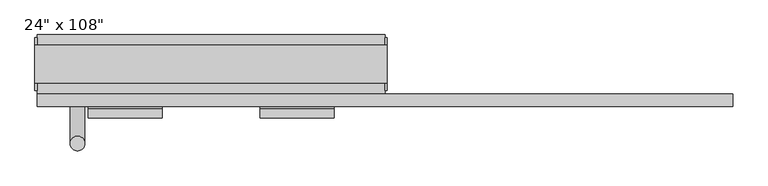
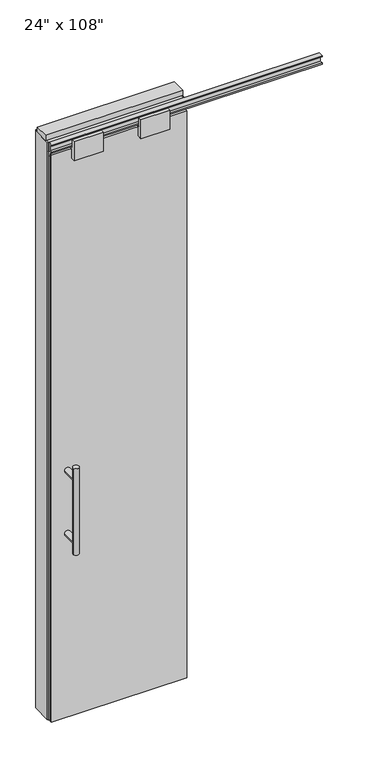
"""IFC4 building model written with IfcOpenShell, lengths in millimetres: furniture geometry."""

from ifc_helpers import new_model, si_unit, frame, origin, origin_with_axes, place, context, project, spatial, polyline, circle_curve, ellipse_curve, outline, extrude, source, transform, mapped, element, save
from ifc_brep_helpers import plane_surface, cylinder_surface, advanced_brep


def furniture_3b642320(model_context):
    return source(origin(), model_context, "Body", "SolidModel", [
        extrude(outline(polyline([(240.8264771, -74.3677216), (-360.8995229, -74.3677216), (-360.8995229, -64.2077216), (240.8264771, -64.2077216), (240.8264771, -74.3677216)])), origin_with_axes(), (0.0, 0.0, 1.0), 2670.81),
        advanced_brep(
        [(-303.6225229, 3.3562784, 1219.2), (-278.2225229, 3.3562784, 1219.2), (-303.6225229, 3.3562784, 812.8), (-278.2225229, 3.3562784, 812.8), (-278.2225229, 3.3562784, 1164.336), (-278.2225229, 3.3562784, 867.664), (-303.6225229, 3.3562784, 867.664), (-303.6225229, 3.3562784, 1164.336), (-303.6225229, -64.2077216, 1164.336), (-278.2225229, -64.2077216, 1164.336), (-303.6225229, -64.2077216, 867.664), (-278.2225229, -64.2077216, 867.664)],
        [
            (0, 1, circle_curve(frame((-290.9225229, 3.3562784, 1219.2), z_axis=(0.0, 0.0, 1.0), x_axis=(1.0, 0.0, 0.0)), 12.7)),
            (1, 0, circle_curve(frame((-290.9225229, 3.3562784, 1219.2), z_axis=(0.0, 0.0, 1.0), x_axis=(1.0, 0.0, 0.0)), 12.7)),
            (2, 3, circle_curve(frame((-290.9225229, 3.3562784, 812.8), z_axis=(0.0, 0.0, -1.0), x_axis=(1.0, 0.0, 0.0)), 12.7)),
            (3, 2, circle_curve(frame((-290.9225229, 3.3562784, 812.8), z_axis=(0.0, 0.0, -1.0), x_axis=(1.0, 0.0, 0.0)), 12.7)),
            (1, 4),
            (4, 5),
            (5, 3),
            (2, 6),
            (6, 7),
            (7, 0),
            (6, 5, ellipse_curve(frame((-290.9225229, 3.3562784, 867.664), z_axis=(0.0, 0.707106781186565, 0.70710678118653), x_axis=(0.0, -0.70710678118653, 0.707106781186565)), 17.9605122, 12.7)),
            (4, 7, ellipse_curve(frame((-290.9225229, 3.3562784, 1164.336), z_axis=(0.0, 0.70710678118653, -0.7071067811865649), x_axis=(0.0, 0.7071067811865648, 0.7071067811865301)), 17.9605122, 12.7)),
            (7, 4, ellipse_curve(frame((-290.9225229, 3.3562784, 1164.336), z_axis=(0.0, 0.707106781186565, 0.70710678118653), x_axis=(0.0, -0.70710678118653, 0.707106781186565)), 17.9605122, 12.7)),
            (5, 6, ellipse_curve(frame((-290.9225229, 3.3562784, 867.664), z_axis=(0.0, 0.70710678118653, -0.7071067811865649), x_axis=(0.0, 0.7071067811865648, 0.7071067811865301)), 17.9605122, 12.7)),
            (8, 9, circle_curve(frame((-290.9225229, -64.2077216, 1164.336), z_axis=(0.0, -1.0, 0.0), x_axis=(1.0, 0.0, 0.0)), 12.7)),
            (9, 8, circle_curve(frame((-290.9225229, -64.2077216, 1164.336), z_axis=(0.0, -1.0, 0.0), x_axis=(1.0, 0.0, 0.0)), 12.7)),
            (8, 7),
            (4, 9),
            (10, 11, circle_curve(frame((-290.9225229, -64.2077216, 867.664), z_axis=(0.0, -1.0, 0.0), x_axis=(1.0, 0.0, 0.0)), 12.7)),
            (11, 10, circle_curve(frame((-290.9225229, -64.2077216, 867.664), z_axis=(0.0, -1.0, 0.0), x_axis=(1.0, 0.0, 0.0)), 12.7)),
            (10, 6),
            (5, 11),
        ],
        [
            plane_surface(frame((-278.2225229, 3.3562784, 1219.2), z_axis=(0.0, 0.0, 1.0), x_axis=(0.0, -1.0, 0.0))),
            plane_surface(frame((-278.2225229, 3.3562784, 812.8), z_axis=(0.0, 0.0, -1.0), x_axis=(0.0, 1.0, 0.0))),
            cylinder_surface(frame((-290.9225229, 3.3562784, 812.8), z_axis=(0.0, 0.0, 1.0), x_axis=(1.0, 0.0, 0.0)), 12.7),
            plane_surface(frame((-278.2225229, -64.2077216, 1164.336), z_axis=(0.0, -1.0, 0.0), x_axis=(0.0, 0.0, -1.0))),
            cylinder_surface(frame((-290.9225229, -64.2077216, 1164.336), z_axis=(0.0, 1.0, 0.0), x_axis=(1.0, 0.0, 0.0)), 12.7),
            plane_surface(frame((-278.2225229, -64.2077216, 867.664), z_axis=(0.0, -1.0, 0.0), x_axis=(0.0, 0.0, -1.0))),
            cylinder_surface(frame((-290.9225229, -64.2077216, 867.664), z_axis=(0.0, 1.0, 0.0), x_axis=(1.0, 0.0, 0.0)), 12.7),
        ],
        [
            (0, [[1, 2]]),
            (1, [[3, 4]]),
            (2, [[5, 6, 7, -3, 8, 9, 10, -2]]),
            (2, [[-9, 11, -6, 12]]),
            (2, [[-10, 13, -5, -1]]),
            (2, [[-7, 14, -8, -4]]),
            (3, [[15, 16]]),
            (4, [[17, -12, 18, -15]]),
            (4, [[-18, -13, -17, -16]]),
            (5, [[19, 20]]),
            (6, [[21, -14, 22, -19]]),
            (6, [[-22, -11, -21, -20]]),
        ],
    ),
        advanced_brep(
        [(-303.6225229, -141.9317216, 1219.2), (-278.2225229, -141.9317216, 1219.2), (-303.6225229, -141.9317216, 812.8), (-278.2225229, -141.9317216, 812.8), (-303.6225229, -141.9317216, 1164.336), (-303.6225229, -141.9317216, 867.664), (-278.2225229, -141.9317216, 867.664), (-278.2225229, -141.9317216, 1164.336), (-303.6225229, -74.3677216, 1164.336), (-278.2225229, -74.3677216, 1164.336), (-303.6225229, -74.3677216, 867.664), (-278.2225229, -74.3677216, 867.664)],
        [
            (0, 1, circle_curve(frame((-290.9225229, -141.9317216, 1219.2), z_axis=(0.0, 0.0, 1.0), x_axis=(1.0, 0.0, 0.0)), 12.7)),
            (1, 0, circle_curve(frame((-290.9225229, -141.9317216, 1219.2), z_axis=(0.0, 0.0, 1.0), x_axis=(1.0, 0.0, 0.0)), 12.7)),
            (2, 3, circle_curve(frame((-290.9225229, -141.9317216, 812.8), z_axis=(0.0, 0.0, -1.0), x_axis=(1.0, 0.0, 0.0)), 12.7)),
            (3, 2, circle_curve(frame((-290.9225229, -141.9317216, 812.8), z_axis=(0.0, 0.0, -1.0), x_axis=(1.0, 0.0, 0.0)), 12.7)),
            (0, 4),
            (4, 5),
            (5, 2),
            (3, 6),
            (6, 7),
            (7, 1),
            (7, 4, ellipse_curve(frame((-290.9225229, -141.9317216, 1164.336), z_axis=(0.0, -0.707106781186565, 0.70710678118653), x_axis=(0.0, 0.70710678118653, 0.707106781186565)), 17.9605122, 12.7)),
            (5, 6, ellipse_curve(frame((-290.9225229, -141.9317216, 867.664), z_axis=(0.0, -0.70710678118653, -0.7071067811865649), x_axis=(0.0, -0.7071067811865648, 0.7071067811865301)), 17.9605122, 12.7)),
            (4, 7, ellipse_curve(frame((-290.9225229, -141.9317216, 1164.336), z_axis=(0.0, -0.70710678118653, -0.7071067811865649), x_axis=(0.0, -0.7071067811865648, 0.7071067811865301)), 17.9605122, 12.7)),
            (6, 5, ellipse_curve(frame((-290.9225229, -141.9317216, 867.664), z_axis=(0.0, -0.707106781186565, 0.70710678118653), x_axis=(0.0, 0.70710678118653, 0.707106781186565)), 17.9605122, 12.7)),
            (8, 9, circle_curve(frame((-290.9225229, -74.3677216, 1164.336), z_axis=(0.0, 1.0, 0.0), x_axis=(1.0, 0.0, 0.0)), 12.7)),
            (9, 8, circle_curve(frame((-290.9225229, -74.3677216, 1164.336), z_axis=(0.0, 1.0, 0.0), x_axis=(1.0, 0.0, 0.0)), 12.7)),
            (9, 7),
            (4, 8),
            (10, 11, circle_curve(frame((-290.9225229, -74.3677216, 867.664), z_axis=(0.0, 1.0, 0.0), x_axis=(1.0, 0.0, 0.0)), 12.7)),
            (11, 10, circle_curve(frame((-290.9225229, -74.3677216, 867.664), z_axis=(0.0, 1.0, 0.0), x_axis=(1.0, 0.0, 0.0)), 12.7)),
            (11, 6),
            (5, 10),
        ],
        [
            plane_surface(frame((-278.2225229, -141.9317216, 1219.2), z_axis=(0.0, 0.0, 1.0), x_axis=(0.0, 1.0, 0.0))),
            plane_surface(frame((-278.2225229, -141.9317216, 812.8), z_axis=(0.0, 0.0, -1.0), x_axis=(0.0, -1.0, 0.0))),
            cylinder_surface(frame((-290.9225229, -141.9317216, 812.8), z_axis=(0.0, 0.0, 1.0), x_axis=(1.0, 0.0, 0.0)), 12.7),
            plane_surface(frame((-278.2225229, -74.3677216, 1164.336), z_axis=(0.0, 1.0, 0.0), x_axis=(0.0, 0.0, -1.0))),
            cylinder_surface(frame((-290.9225229, -74.3677216, 1164.336), z_axis=(0.0, -1.0, 0.0), x_axis=(1.0, 0.0, 0.0)), 12.7),
            plane_surface(frame((-278.2225229, -74.3677216, 867.664), z_axis=(0.0, 1.0, 0.0), x_axis=(0.0, 0.0, -1.0))),
            cylinder_surface(frame((-290.9225229, -74.3677216, 867.664), z_axis=(0.0, -1.0, 0.0), x_axis=(1.0, 0.0, 0.0)), 12.7),
        ],
        [
            (0, [[1, 2]]),
            (1, [[3, 4]]),
            (2, [[-1, 5, 6, 7, -4, 8, 9, 10]]),
            (2, [[-2, -10, 11, -5]]),
            (2, [[-3, -7, 12, -8]]),
            (2, [[13, -9, 14, -6]]),
            (3, [[15, 16]]),
            (4, [[-16, 17, -13, 18]]),
            (4, [[-15, -18, -11, -17]]),
            (5, [[19, 20]]),
            (6, [[-20, 21, -12, 22]]),
            (6, [[-19, -22, -14, -21]]),
        ],
    ),
        extrude(outline(polyline([(-63.1282216, 2628.9), (-63.1282216, 2670.81), (-75.4472216, 2670.81), (-75.4472216, 2628.9), (-97.6722216, 2628.9), (-97.6722216, 2717.8), (-82.1782216, 2717.8), (-82.1782216, 2676.779), (-59.5722216, 2676.779), (-59.5722216, 2628.9), (-63.1282216, 2628.9)])), frame((-272.6345229, 0.0, 0.0), z_axis=(1.0, 0.0, 0.0), x_axis=(0.0, 1.0, 0.0)), (0.0, 0.0, 1.0), 128.016),
        extrude(outline(polyline([(-63.1282216, 2628.9), (-63.1282216, 2670.81), (-75.4472216, 2670.81), (-75.4472216, 2628.9), (-97.6722216, 2628.9), (-97.6722216, 2717.8), (-82.1782216, 2717.8), (-82.1782216, 2676.779), (-59.5722216, 2676.779), (-59.5722216, 2628.9), (-63.1282216, 2628.9)])), frame((24.5454771, 0.0, 0.0), z_axis=(1.0, 0.0, 0.0), x_axis=(0.0, 1.0, 0.0)), (0.0, 0.0, 1.0), 128.016),
        extrude(outline(polyline([(-77.9237216, 2681.478), (-77.9237216, 2686.812), (-65.2237216, 2686.812), (-65.2237216, 2715.768), (-77.9237216, 2715.768), (-77.9237216, 2721.102), (-56.2067216, 2721.102), (-56.2067216, 2681.478), (-77.9237216, 2681.478)])), frame((-360.8995229, 0.0, 0.0), z_axis=(1.0, 0.0, 0.0), x_axis=(0.0, 1.0, 0.0)), (0.0, 0.0, 1.0), 1203.452),
        extrude(outline(polyline([(-360.8995229, -55.3177216), (-360.8995229, 46.2822784), (240.8264771, 46.2822784), (240.8264771, -55.3177216), (-360.8995229, -55.3177216)])), frame((0.0, 0.0, 2654.3), z_axis=(0.0, 0.0, 1.0), x_axis=(1.0, 0.0, 0.0)), (0.0, 0.0, 1.0), 22.225),
        extrude(outline(polyline([(244.7634771, -50.3647216), (240.8264771, -50.3647216), (240.8264771, 41.3292784), (244.7634771, 41.3292784), (244.7634771, -50.3647216)])), origin_with_axes(), (0.0, 0.0, 1.0), 2717.8),
        extrude(outline(polyline([(-364.8365229, -50.3647216), (-364.8365229, 41.3292784), (-360.8995229, 41.3292784), (-360.8995229, -50.3647216), (-364.8365229, -50.3647216)])), origin_with_axes(), (0.0, 0.0, 1.0), 2717.8),
        extrude(outline(polyline([(218.6014771, -55.3177216), (218.6014771, 46.2822784), (240.8264771, 46.2822784), (240.8264771, -55.3177216), (218.6014771, -55.3177216)])), origin_with_axes(), (0.0, 0.0, 1.0), 2654.3),
        extrude(outline(polyline([(-338.6745229, -55.3177216), (-360.8995229, -55.3177216), (-360.8995229, 46.2822784), (-338.6745229, 46.2822784), (-338.6745229, -55.3177216)])), origin_with_axes(), (0.0, 0.0, 1.0), 2654.3),
        extrude(outline(polyline([(-55.3177216, 2681.478), (-55.3177216, 2717.8), (46.2822784, 2717.8), (46.2822784, 2681.478), (41.3292784, 2681.478), (41.3292784, 2676.525), (-50.3647216, 2676.525), (-50.3647216, 2681.478), (-55.3177216, 2681.478)])), frame((-360.8995229, 0.0, 0.0), z_axis=(1.0, 0.0, 0.0), x_axis=(0.0, 1.0, 0.0)), (0.0, 0.0, 1.0), 601.726),
        extrude(outline(polyline([(-364.8365229, -37.0297216), (-364.8365229, 27.9942784), (244.7634771, 27.9942784), (244.7634771, -37.0297216), (-364.8365229, -37.0297216)])), frame((0.0, 0.0, 2717.8), z_axis=(0.0, 0.0, 1.0), x_axis=(1.0, 0.0, 0.0)), (0.0, 0.0, 1.0), 25.4),
    ])


if __name__ == "__main__":
    model = new_model("IFC4")
    model_context = context("Model", 3, world=origin())
    ifc_project = project(units=[si_unit("LENGTHUNIT", "METRE", prefix="MILLI")], contexts=[model_context])
    site = spatial("IfcSite", under=ifc_project)
    building = spatial("IfcBuilding", under=site)
    placement = place(None, origin())
    furniture_shape = furniture_3b642320(model_context)
    element("IfcFurniture", 1, ObjectType="24\" x 108\"", at=placement, inside=building, context=model_context, shape_type="MappedRepresentation", body=[
        mapped(furniture_shape, transform((0.0, 0.0, 0.0), x_axis=(1.0, 0.0, 0.0), y_axis=(0.0, 1.0, 0.0), z_axis=(0.0, 0.0, 1.0))),
    ])
    save(model, "model.ifc")
